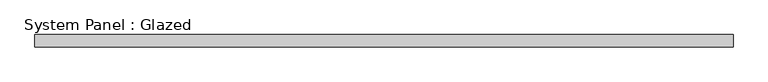
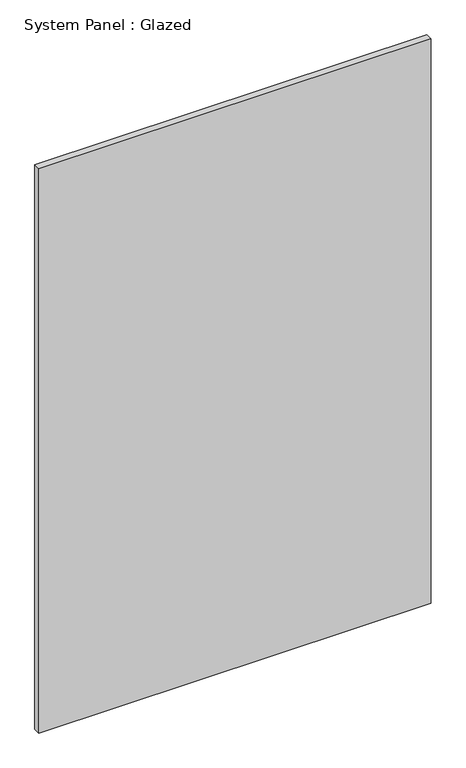
"""IFC4 building model written with IfcOpenShell, lengths in millimetres: plate geometry, System Panel : Glazed."""

from ifc_helpers import new_model, si_unit, origin, origin_with_axes, place, context, project, spatial, polyline, outline, extrude, source, transform, mapped, element, save


def system_panel_glazed_47a82a68(model_context):
    return source(origin(), model_context, "Body", "SweptSolid", [
        extrude(outline(polyline([(707.5, -49.5), (-707.5, -49.5), (-707.5, -24.5), (707.5, -24.5), (707.5, -49.5)])), origin_with_axes(), (0.0, 0.0, 1.0), 2150.0),
    ])


if __name__ == "__main__":
    model = new_model("IFC4")
    model_context = context("Model", 3, world=origin())
    ifc_project = project(units=[si_unit("LENGTHUNIT", "METRE", prefix="MILLI")], contexts=[model_context])
    site = spatial("IfcSite", under=ifc_project)
    building = spatial("IfcBuilding", under=site)
    placement = place(None, origin())
    system_panel_glazed_shape = system_panel_glazed_47a82a68(model_context)
    element("IfcPlate", 1, ObjectType="System Panel : Glazed", at=placement, inside=building, context=model_context, shape_type="MappedRepresentation", body=[
        mapped(system_panel_glazed_shape, transform((0.0, 0.0, 0.0), x_axis=(1.0, 0.0, 0.0), y_axis=(0.0, 1.0, 0.0), z_axis=(0.0, 0.0, 1.0))),
    ])
    save(model, "model.ifc")
